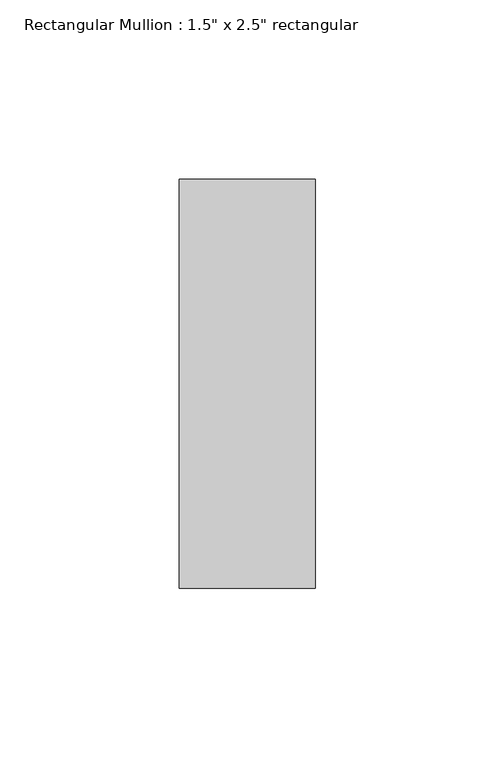
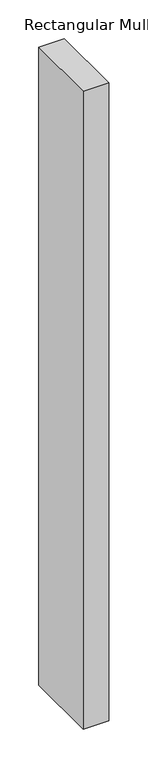
"""IFC4 building model written with IfcOpenShell, lengths in millimetres: member geometry."""

import ifcopenshell
import ifcopenshell.guid

model = None  # the IFC model being written
_history = None  # IfcOwnerHistory: only IFC2X3 demands one
_inside = {}  # id of a spatial element -> (the spatial element, [elements in it])
_under = {}  # id of a project, library or spatial element -> (it, [spatial elements below it])
_declared = {}  # id of a project -> (the project, [libraries it declares])
_typed = {}  # id of a type object -> (the type object, [elements of that type])
_made_of = {}  # id of a material, layer set ... -> (it, [elements and type objects made of it])


def new_model(schema):
    """Start an empty IFC model of exactly this schema.

    Asked for "IFC4X3", IfcOpenShell would pick the latest addendum, in which some entities
    have other attributes; the version numbers below select the first issue.
    IFC2X3 requires an IfcOwnerHistory on every rooted entity: one is made here for all.
    """
    global model, _history
    if schema == "IFC4X3":
        model = ifcopenshell.file(schema_version=(4, 3, 0, 0))
    else:
        model = ifcopenshell.file(schema=schema)
    _inside.clear()
    _under.clear()
    _declared.clear()
    _typed.clear()
    _made_of.clear()
    _history = None
    if model.schema == "IFC2X3":
        org = make("IfcOrganization", Name="unknown")
        user = make(
            "IfcPersonAndOrganization",
            ThePerson=make("IfcPerson", FamilyName="unknown"),
            TheOrganization=org,
        )
        app = make(
            "IfcApplication",
            ApplicationDeveloper=org,
            Version="unknown",
            ApplicationFullName="unknown",
            ApplicationIdentifier="unknown",
        )
        _history = make(
            "IfcOwnerHistory",
            OwningUser=user,
            OwningApplication=app,
            ChangeAction="ADDED",
            CreationDate=0,
        )
    return model


def make(cls, **values):
    """One entity of the class cls with the attributes given. An attribute that is None is left unset."""
    return model.create_entity(
        cls, **{name: value for name, value in values.items() if value is not None}
    )


def rooted(cls, **values):
    """An entity with a GlobalId (a new one), such as an element, a storey or a relation."""
    return make(cls, GlobalId=ifcopenshell.guid.new(), OwnerHistory=_history, **values)


def si_unit(unit_type, name, prefix=None):
    """IfcSIUnit, for example si_unit("LENGTHUNIT", "METRE", prefix="MILLI")."""
    return make("IfcSIUnit", UnitType=unit_type, Prefix=prefix, Name=name)


def assignment(units):
    """IfcUnitAssignment: the units of a project."""
    return None if units is None else make("IfcUnitAssignment", Units=units)


def point(xyz):
    """IfcCartesianPoint."""
    return None if xyz is None else make("IfcCartesianPoint", Coordinates=xyz)


def direction(xyz):
    """IfcDirection."""
    return None if xyz is None else make("IfcDirection", DirectionRatios=xyz)


def frame(location, z_axis=None, x_axis=None):
    """IfcAxis2Placement3D, a coordinate frame: its origin and axes. An axis left out is left unset."""
    return make(
        "IfcAxis2Placement3D",
        Location=point(location),
        Axis=direction(z_axis),
        RefDirection=direction(x_axis),
    )


def origin():
    """The frame at (0, 0, 0) with its axes left unset."""
    return frame((0.0, 0.0, 0.0))


def place(relative_to, where):
    """IfcLocalPlacement: puts the frame where relative to a parent placement (None: the world)."""
    return make(
        "IfcLocalPlacement", PlacementRelTo=relative_to, RelativePlacement=where
    )


def context(
    kind, dimensions, precision=None, world=None, true_north=None, identifier=None
):
    """IfcGeometricRepresentationContext, for example the 3D "Model" context."""
    return make(
        "IfcGeometricRepresentationContext",
        ContextIdentifier=identifier,
        ContextType=kind,
        CoordinateSpaceDimension=dimensions,
        Precision=precision,
        WorldCoordinateSystem=world,
        TrueNorth=true_north,
    )


def project(units=None, contexts=None):
    """IfcProject with its units and contexts."""
    return rooted(
        "IfcProject",
        Name="project",
        RepresentationContexts=contexts,
        UnitsInContext=assignment(units),
    )


def spatial(cls, under=None, at=None, **own):
    """A site, building, storey or space (cls), placed at a placement, below another one or the project."""
    s = rooted(cls, ObjectPlacement=at, **own)
    if under is not None:
        _under.setdefault(under.id(), (under, []))[1].append(s)
    return s


def polyline(points):
    """IfcPolyline through the points."""
    return make("IfcPolyline", Points=[point(p) for p in points])


def outline(outer, holes=None, kind="AREA"):
    """IfcArbitraryClosedProfileDef: a profile drawn as a closed curve; with holes, ...WithVoids."""
    if holes is None:
        return make("IfcArbitraryClosedProfileDef", ProfileType=kind, OuterCurve=outer)
    return make(
        "IfcArbitraryProfileDefWithVoids",
        ProfileType=kind,
        OuterCurve=outer,
        InnerCurves=holes,
    )


def extrude(swept, where, along, depth):
    """IfcExtrudedAreaSolid: the profile swept, set in the frame where, extruded along a direction by depth."""
    return make(
        "IfcExtrudedAreaSolid",
        SweptArea=swept,
        Position=where,
        ExtrudedDirection=direction(along),
        Depth=depth,
    )


def shape(context_of_items, identifier, shape_type, items):
    """IfcShapeRepresentation: the items that make up one representation, for example the "Body"."""
    return make(
        "IfcShapeRepresentation",
        ContextOfItems=context_of_items,
        RepresentationIdentifier=identifier,
        RepresentationType=shape_type,
        Items=items,
    )


def source(mapping_origin, context_of_items, identifier, shape_type, items):
    """IfcRepresentationMap: a shape defined once, which mapped items show again and again."""
    return make(
        "IfcRepresentationMap",
        MappingOrigin=mapping_origin,
        MappedRepresentation=shape(context_of_items, identifier, shape_type, items),
    )


def transform(
    local_origin,
    x_axis=None,
    y_axis=None,
    z_axis=None,
    scale=None,
    scale2=None,
    scale3=None,
    uniform=True,
):
    """IfcCartesianTransformationOperator3D, or its non-uniform kind. x_axis, y_axis, z_axis: its Axis1, 2, 3."""
    if uniform:
        return make(
            "IfcCartesianTransformationOperator3D",
            Axis1=direction(x_axis),
            Axis2=direction(y_axis),
            LocalOrigin=point(local_origin),
            Scale=scale,
            Axis3=direction(z_axis),
        )
    return make(
        "IfcCartesianTransformationOperator3DnonUniform",
        Axis1=direction(x_axis),
        Axis2=direction(y_axis),
        LocalOrigin=point(local_origin),
        Scale=scale,
        Axis3=direction(z_axis),
        Scale2=scale2,
        Scale3=scale3,
    )


def mapped(mapping_source, mapping_target):
    """IfcMappedItem: shows the shape of a source again, moved by a transform."""
    return make(
        "IfcMappedItem", MappingSource=mapping_source, MappingTarget=mapping_target
    )


def made_of(thing, what):
    """Note that an element or type object is made of a material, layer set ...; save() writes the relation."""
    if what is not None:
        _made_of.setdefault(what.id(), (what, []))[1].append(thing)
    return thing


def element(
    cls,
    number,
    at=None,
    inside=None,
    cuts=None,
    type_object=None,
    material=None,
    context=None,
    identifier="Body",
    shape_type=None,
    held_by="IfcProductDefinitionShape",
    body=None,
    shapes=None,
    **own,
):
    """One element of the class cls, such as IfcWall. Its Tag is "e" and its number.

    at: its placement. inside: the storey or other place that contains it. cuts: it is an
    opening in that element (IfcRelVoidsElement). A single representation is given by context,
    identifier, shape_type and body (its items); several are given by shapes. held_by: the class
    of the entity that holds the representations. save() writes the other relations.
    """
    e = rooted(cls, Tag="e%d" % number, ObjectPlacement=at, **own)
    if body is not None:
        shapes = [shape(context, identifier, shape_type, body)]
    if shapes is not None:
        e.Representation = make(held_by, Representations=shapes)
    if inside is not None:
        _inside.setdefault(inside.id(), (inside, []))[1].append(e)
    if cuts is not None:
        rooted(
            "IfcRelVoidsElement", RelatingBuildingElement=cuts, RelatedOpeningElement=e
        )
    if type_object is not None:
        _typed.setdefault(type_object.id(), (type_object, []))[1].append(e)
    return made_of(e, material)


def aggregate(whole, parts):
    """IfcRelAggregates: a whole, such as a stair, and the parts it consists of."""
    return rooted("IfcRelAggregates", RelatingObject=whole, RelatedObjects=parts)


def save(model, path):
    """Write the relations noted so far, then the file.

    IfcRelAggregates (storeys below a building ...), IfcRelContainedInSpatialStructure (elements
    in a storey), IfcRelDefinesByType, IfcRelAssociatesMaterial and IfcRelDeclares: one each for
    every whole, place, type object, material and project.
    """
    for whole, parts in _under.values():
        aggregate(whole, parts)
    for where, things in _inside.values():
        rooted(
            "IfcRelContainedInSpatialStructure",
            RelatedElements=things,
            RelatingStructure=where,
        )
    for kind, things in _typed.values():
        rooted("IfcRelDefinesByType", RelatedObjects=things, RelatingType=kind)
    for what, things in _made_of.values():
        rooted("IfcRelAssociatesMaterial", RelatedObjects=things, RelatingMaterial=what)
    for by, libraries in _declared.values():
        rooted("IfcRelDeclares", RelatingContext=by, RelatedDefinitions=libraries)
    model.write(path)


def member_cf8cb69d(model_context):
    return source(origin(), model_context, "Body", "SweptSolid", [
        extrude(outline(polyline([(19.05, 57.15), (19.05, -57.15), (-19.05, -57.15), (-19.05, 57.15), (19.05, 57.15)])), frame((0.0, 0.0, -1003.3), z_axis=(0.0, 0.0, 1.0), x_axis=(1.0, 0.0, 0.0)), (0.0, 0.0, 1.0), 1003.3),
    ])


if __name__ == "__main__":
    model = new_model("IFC4")
    model_context = context("Model", 3, world=origin())
    ifc_project = project(units=[si_unit("LENGTHUNIT", "METRE", prefix="MILLI")], contexts=[model_context])
    site = spatial("IfcSite", under=ifc_project)
    building = spatial("IfcBuilding", under=site)
    placement = place(None, origin())
    member_shape = member_cf8cb69d(model_context)
    element("IfcMember", 1, ObjectType="Rectangular Mullion : 1.5\" x 2.5\" rectangular", at=placement, inside=building, context=model_context, shape_type="MappedRepresentation", body=[
        mapped(member_shape, transform((0.0, 0.0, 0.0), x_axis=(1.0, 0.0, 0.0), y_axis=(0.0, 1.0, 0.0), z_axis=(0.0, 0.0, 1.0))),
    ])
    save(model, "model.ifc")
